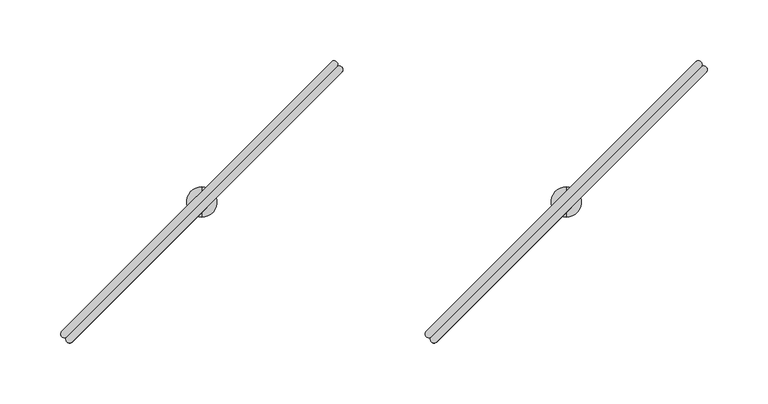
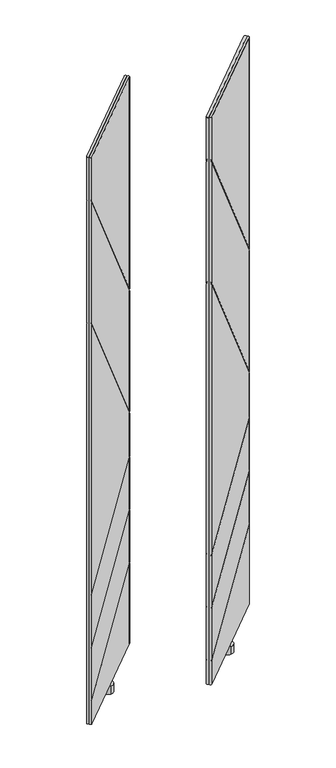
"""IFC4 building model written with IfcOpenShell, lengths in millimetres: furniture geometry."""

from ifc_helpers import new_model, si_unit, frame, origin, place, context, project, spatial, circle_curve, ellipse_curve, source, transform, mapped, element, save
from ifc_brep_helpers import plane_surface, cylinder_surface, advanced_brep


def furniture_f5ca850b(model_context):
    return source(origin(), model_context, "Body", "AdvancedBrep", [
        advanced_brep(
        [(-110.9206656, -183.0476726, 1580.8579983), (111.0432147, 39.0094149, 1580.8579983), (106.8275161, 43.2234083, 1580.8579983), (-115.18424, -178.7849606, 1580.8579983), (-110.9206656, -183.0476726, 80.7339983), (-115.18424, -178.7849606, 80.7339983), (106.8275161, 43.2234083, 80.7339983), (111.0432147, 39.0094149, 80.7339983), (-115.18424, -178.7849606, 1465.6098628), (-115.6881022, -182.380027, 1469.7173437), (-115.6881022, -182.380027, 1464.166375), (-115.18424, -178.7849606, 1460.0588941), (-115.18424, -178.7849606, 1141.5813803), (-115.6881022, -182.380027, 1145.6879231), (-115.6881022, -182.380027, 1140.1378008), (-115.18424, -178.7849606, 1136.031258), (-115.18424, -178.7849606, 427.6020429), (-115.6881022, -182.380027, 426.2337165), (-115.6881022, -182.380027, 422.694591), (-115.18424, -178.7849606, 424.0629174), (-115.18424, -178.7849606, 287.4388163), (-115.6881022, -182.380027, 286.0703439), (-115.6881022, -182.380027, 282.5311496), (-115.18424, -178.7849606, 283.899622), (-115.18424, -178.7849606, 147.2371613), (-115.6881022, -182.380027, 145.8687302), (-115.6881022, -182.380027, 142.3295554), (-115.18424, -178.7849606, 143.6979865), (106.8275161, 43.2234083, 1020.6632991), (106.8275161, 43.2234083, 291.9345147), (106.8275161, 43.2234083, 1015.1123304), (106.8275161, 43.2234083, 696.7364411), (106.8275161, 43.2234083, 691.1863188), (106.8275161, 43.2234083, 575.8272317), (106.8275161, 43.2234083, 572.2881062), (106.8275161, 43.2234083, 435.6798128), (106.8275161, 43.2234083, 432.1406185), (106.8275161, 43.2234083, 295.4736895), (110.3510612, 43.6591364, 293.2563217), (110.3510612, 43.6591364, 296.7954965), (110.3510612, 43.6591364, 433.4624654), (110.3510612, 43.6591364, 437.0016597), (110.3510612, 43.6591364, 573.6098121), (110.3510612, 43.6591364, 577.1489377), (110.3510612, 43.6591364, 687.2196908), (110.3510612, 43.6591364, 692.7698131), (110.3510612, 43.6591364, 1011.1447962), (110.3510612, 43.6591364, 1016.6957649)],
        [
            (0, 1),
            (1, 2, circle_curve(frame((108.8832345, 41.0642596, 1580.8579983), z_axis=(0.0, 0.0, 1.0), x_axis=(0.6892541380737184, 0.724519656840486, 0.0)), 2.9812584)),
            (2, 3),
            (3, 0, circle_curve(frame((-113.0526846, -180.9165485, 1580.8579983), z_axis=(0.0, 0.0, 1.0), x_axis=(-0.7071121751659861, -0.7071013871659622, 0.0)), 3.0144975)),
            (4, 5, circle_curve(frame((-113.0526846, -180.9165485, 80.7339983), z_axis=(0.0, 0.0, -1.0), x_axis=(-0.7071121751659861, -0.7071013871659622, 0.0)), 3.0144975)),
            (5, 6),
            (6, 7, circle_curve(frame((108.8832345, 41.0642596, 80.7339983), z_axis=(0.0, 0.0, -1.0), x_axis=(0.6892541380737184, 0.724519656840486, 0.0)), 2.9812584)),
            (7, 4),
            (3, 8),
            (8, 9, ellipse_curve(frame((-113.0526846, -180.9165485, 1465.6098953), z_axis=(0.577750975804524, 0.5777509758045234, 0.576548020475174), x_axis=(-0.40768101495767617, -0.4076810149576757, 0.817063265657047)), 5.2285281, 3.0144975)),
            (9, 10),
            (10, 11, ellipse_curve(frame((-113.0526846, -180.9165485, 1460.0589267), z_axis=(-0.577750975804524, -0.5777509758045234, -0.576548020475174), x_axis=(-0.40768101495767617, -0.4076810149576757, 0.817063265657047)), 5.2285281, 3.0144975)),
            (11, 12),
            (12, 13, ellipse_curve(frame((-113.0526846, -180.9165485, 1141.5814129), z_axis=(0.5777071023563686, 0.577707102356368, 0.576635940411294), x_axis=(-0.4077431837407081, -0.4077431837407078, 0.8170012192316377)), 5.2277309, 3.0144975)),
            (13, 14),
            (14, 15, ellipse_curve(frame((-113.0526846, -180.9165485, 1136.0312905), z_axis=(-0.5777071023563686, -0.5777071023563679, -0.5766359404112942), x_axis=(-0.40774318374070834, -0.40774318374070784, 0.8170012192316375)), 5.2277309, 3.0144975)),
            (15, 16),
            (16, 17, ellipse_curve(frame((-113.0526846, -180.9165485, 427.6020321), z_axis=(-0.3018753516577264, -0.3018753516577261, 0.9042911832607062), x_axis=(0.6394304278508526, 0.6394304278508519, 0.42691621646050404)), 3.3335474, 3.0144975)),
            (17, 18),
            (18, 19, ellipse_curve(frame((-113.0526846, -180.9165485, 424.0629066), z_axis=(0.3018753516577265, 0.30187535165772633, -0.9042911832607061), x_axis=(0.6394304278508526, 0.6394304278508522, 0.4269162164605042)), 3.3335474, 3.0144975)),
            (19, 20),
            (20, 21, ellipse_curve(frame((-113.0526846, -180.9165485, 287.4388054), z_axis=(-0.3019016772725295, -0.3019016772725292, 0.9042736060065379), x_axis=(0.6394179988552356, 0.6394179988552351, 0.4269534465019956)), 3.3336122, 3.0144975)),
            (21, 22),
            (22, 23, ellipse_curve(frame((-113.0526846, -180.9165485, 283.8996111), z_axis=(0.3019016772725295, 0.30190167727252887, -0.9042736060065379), x_axis=(0.639417998855236, 0.6394179988552348, 0.42695344650199585)), 3.3336122, 3.0144975)),
            (23, 24),
            (24, 25, ellipse_curve(frame((-113.0526846, -180.9165485, 147.2371505), z_axis=(-0.30189423598003035, -0.30189423598003007, 0.9042785746461471), x_axis=(0.6394215122139965, 0.6394215122139959, 0.4269429229252227)), 3.3335939, 3.0144975)),
            (25, 26),
            (26, 27, ellipse_curve(frame((-113.0526846, -180.9165485, 143.6979756), z_axis=(0.30189423598002996, 0.3018942359800298, -0.9042785746461475), x_axis=(0.6394215122139967, 0.6394215122139962, 0.4269429229252216)), 3.3335939, 3.0144975)),
            (27, 5),
            (4, 0),
            (2, 28),
            (28, 8),
            (27, 29),
            (29, 6),
            (11, 30),
            (30, 31),
            (31, 12),
            (15, 32),
            (32, 33),
            (33, 16),
            (19, 34),
            (34, 35),
            (35, 20),
            (23, 36),
            (36, 37),
            (37, 24),
            (1, 7),
            (29, 38, ellipse_curve(frame((108.8832345, 41.0642596, 291.8999843), z_axis=(0.30189423598002996, 0.3018942359800298, -0.9042785746461475), x_axis=(0.6394215122139967, 0.6394215122139962, 0.4269429229252216)), 3.2968362, 2.9812584)),
            (38, 39),
            (39, 37, ellipse_curve(frame((108.8832345, 41.0642596, 295.4391592), z_axis=(-0.30189423598003035, -0.30189423598003007, 0.9042785746461471), x_axis=(0.6394215122139965, 0.6394215122139959, 0.4269429229252227)), 3.2968362, 2.9812584)),
            (36, 40, ellipse_curve(frame((108.8832345, 41.0642596, 432.1060871), z_axis=(0.3019016772725295, 0.30190167727252887, -0.9042736060065379), x_axis=(0.639417998855236, 0.6394179988552348, 0.42695344650199585)), 3.2968543, 2.9812584)),
            (40, 41),
            (41, 35, ellipse_curve(frame((108.8832345, 41.0642596, 435.6452814), z_axis=(-0.3019016772725295, -0.3019016772725292, 0.9042736060065379), x_axis=(0.6394179988552356, 0.6394179988552351, 0.4269534465019956)), 3.2968543, 2.9812584)),
            (34, 42, ellipse_curve(frame((108.8832345, 41.0642596, 572.2535785), z_axis=(0.3018753516577265, 0.30187535165772633, -0.9042911832607061), x_axis=(0.6394304278508526, 0.6394304278508522, 0.4269162164605042)), 3.2967902, 2.9812584)),
            (42, 43),
            (43, 33, ellipse_curve(frame((108.8832345, 41.0642596, 575.7927041), z_axis=(-0.3018753516577264, -0.3018753516577261, 0.9042911832607062), x_axis=(0.6394304278508526, 0.6394304278508519, 0.42691621646050404)), 3.2967902, 2.9812584)),
            (32, 44, ellipse_curve(frame((108.8832345, 41.0642596, 691.2899413), z_axis=(-0.5777071023563686, -0.5777071023563679, -0.5766359404112942), x_axis=(-0.40774318374070834, -0.40774318374070784, 0.8170012192316375)), 5.1700876, 2.9812584)),
            (44, 45),
            (45, 31, ellipse_curve(frame((108.8832345, 41.0642596, 696.8400637), z_axis=(0.5777071023563686, 0.577707102356368, 0.576635940411294), x_axis=(-0.4077431837407081, -0.4077431837407078, 0.8170012192316377)), 5.1700876, 2.9812584)),
            (30, 46, ellipse_curve(frame((108.8832345, 41.0642596, 1015.2159766), z_axis=(-0.577750975804524, -0.5777509758045234, -0.576548020475174), x_axis=(-0.40768101495767617, -0.4076810149576757, 0.817063265657047)), 5.1708761, 2.9812584)),
            (46, 47),
            (47, 28, ellipse_curve(frame((108.8832345, 41.0642596, 1020.7669453), z_axis=(0.577750975804524, 0.5777509758045234, 0.576548020475174), x_axis=(-0.40768101495767617, -0.4076810149576757, 0.817063265657047)), 5.1708761, 2.9812584)),
            (46, 10),
            (9, 47),
            (44, 14),
            (13, 45),
            (17, 43),
            (42, 18),
            (40, 22),
            (21, 41),
            (38, 26),
            (25, 39),
        ],
        [
            plane_surface(frame((-2.0585437, -69.8999525, 1580.8579983), z_axis=(0.0, 0.0, 1.0000000000000002), x_axis=(0.7069583324882522, 0.7072551987263367, 0.0))),
            plane_surface(frame((-2.0585437, -69.8999525, 80.7339983), z_axis=(0.0, 0.0, -1.0000000000000002), x_axis=(0.7069583324882522, 0.7072551987263367, 0.0))),
            cylinder_surface(frame((-113.0526846, -180.9165485, 80.7339983), z_axis=(0.0, 0.0, 1.0), x_axis=(-0.7071121751659861, -0.7071013871659622, 0.0)), 3.0144975),
            plane_surface(frame((-4.1783619, -67.7807761, 80.7339983), z_axis=(-0.7071013871659615, 0.7071121751659868, 0.0), x_axis=(-0.7071121751659868, -0.7071013871659615, 0.0))),
            cylinder_surface(frame((108.8832345, 41.0642596, 80.7339983), z_axis=(0.0, 0.0, 1.0), x_axis=(0.6892541380737184, 0.724519656840486, 0.0)), 2.9812584),
            plane_surface(frame((0.0612746, -72.0191288, 80.7339983), z_axis=(0.7072551987263367, -0.7069583324882522, 0.0), x_axis=(0.7069583324882522, 0.7072551987263367, 0.0))),
            plane_surface(frame((124.7325456, 58.0406208, 1930.8164788), z_axis=(-0.7071067811865472, 0.707106781186548, 0.0), x_axis=(0.0, 0.0, 1.0))),
            plane_surface(frame((-149.6523346, -176.8311325, 1498.1919696), z_axis=(-0.577750975804524, -0.5777509758045234, -0.576548020475174), x_axis=(0.7071067811865472, -0.7071067811865479, 0.0))),
            plane_surface(frame((104.9759821, 77.7971843, 982.3218141), z_axis=(0.577750975804524, 0.5777509758045234, 0.576548020475174), x_axis=(0.7071067811865472, -0.7071067811865479, 0.0))),
            plane_surface(frame((-149.6523346, -176.8311325, 1174.1560454), z_axis=(-0.5777071023563686, -0.577707102356368, -0.576635940411294), x_axis=(0.7071067811865472, -0.7071067811865479, 0.0))),
            plane_surface(frame((104.9759821, 77.7971843, 658.4032918), z_axis=(0.5777071023563686, 0.5777071023563679, 0.5766359404112942), x_axis=(0.7071067811865471, -0.707106781186548, 0.0))),
            plane_surface(frame((104.9759821, 77.7971843, 583.2116212), z_axis=(-0.3018753516577265, -0.30187535165772633, 0.9042911832607061), x_axis=(0.7071067811865474, -0.7071067811865477, 0.0))),
            plane_surface(frame((-149.6523346, -176.8311325, 416.7479554), z_axis=(0.30187535165772644, 0.30187535165772617, -0.9042911832607065), x_axis=(0.7071067811865472, -0.7071067811865479, 0.0))),
            plane_surface(frame((-149.6523346, -176.8311325, 276.5835712), z_axis=(0.3019016772725295, 0.3019016772725292, -0.9042736060065379), x_axis=(0.7071067811865472, -0.7071067811865479, 0.0))),
            plane_surface(frame((104.9759821, 77.7971843, 443.0652984), z_axis=(-0.3019016772725295, -0.30190167727252887, 0.9042736060065379), x_axis=(0.7071067811865468, -0.7071067811865482, 0.0))),
            plane_surface(frame((-149.6523346, -176.8311325, 136.3822435), z_axis=(0.3018942359800304, 0.3018942359800301, -0.9042785746461474), x_axis=(0.7071067811865472, -0.7071067811865479, 0.0))),
            plane_surface(frame((104.9759821, 77.7971843, 302.8588653), z_axis=(-0.30189423598002996, -0.3018942359800298, 0.9042785746461475), x_axis=(0.7071067811865474, -0.7071067811865477, 0.0))),
        ],
        [
            (0, [[1, 2, 3, 4]]),
            (1, [[5, 6, 7, 8]]),
            (2, [[-4, 9, 10, 11, 12, 13, 14, 15, 16, 17, 18, 19, 20, 21, 22, 23, 24, 25, 26, 27, 28, 29, -5, 30]]),
            (3, [[-3, 31, 32, -9]]),
            (3, [[-6, -29, 33, 34]]),
            (3, [[-13, 35, 36, 37]]),
            (3, [[-17, 38, 39, 40]]),
            (3, [[-21, 41, 42, 43]]),
            (3, [[-25, 44, 45, 46]]),
            (4, [[-2, 47, -7, -34, 48, 49, 50, -45, 51, 52, 53, -42, 54, 55, 56, -39, 57, 58, 59, -36, 60, 61, 62, -31]]),
            (5, [[-1, -30, -8, -47]]),
            (6, [[63, -11, 64, -61]]),
            (6, [[65, -15, 66, -58]]),
            (6, [[67, -55, 68, -19]]),
            (6, [[69, -23, 70, -52]]),
            (6, [[71, -27, 72, -49]]),
            (7, [[-64, -10, -32, -62]]),
            (8, [[-63, -60, -35, -12]]),
            (9, [[-66, -14, -37, -59]]),
            (10, [[-65, -57, -38, -16]]),
            (11, [[-68, -54, -41, -20]]),
            (12, [[-67, -18, -40, -56]]),
            (13, [[-70, -22, -43, -53]]),
            (14, [[-69, -51, -44, -24]]),
            (15, [[-72, -26, -46, -50]]),
            (16, [[-71, -48, -33, -28]]),
        ],
    ),
        advanced_brep(
        [(-110.9599734, -183.0083649, 1580.8579983), (-106.6972613, -187.2719392, 1580.8579983), (115.3111076, 34.7398168, 1580.8579983), (111.0971142, 38.9555155, 1580.8579983), (-110.9599733, -183.0083649, 80.7339983), (111.0971142, 38.9555155, 80.7339983), (115.3111076, 34.7398168, 80.7339983), (-106.6972613, -187.2719392, 80.7339983), (-106.6972613, -187.2719392, 143.6979865), (-110.2923277, -187.7758015, 142.3295554), (-110.2923277, -187.7758015, 145.8687302), (-106.6972613, -187.2719392, 147.2371613), (-106.6972613, -187.2719392, 283.899622), (-110.2923277, -187.7758015, 282.5311496), (-110.2923277, -187.7758015, 286.0703439), (-106.6972613, -187.2719392, 287.4388163), (-106.6972613, -187.2719392, 424.0629174), (-110.2923277, -187.7758015, 422.694591), (-110.2923277, -187.7758015, 426.2337165), (-106.6972613, -187.2719392, 427.6020429), (-106.6972613, -187.2719392, 1136.031258), (-110.2923277, -187.7758015, 1140.1378008), (-110.2923277, -187.7758015, 1145.6879231), (-106.6972613, -187.2719392, 1141.5813803), (-106.6972613, -187.2719392, 1460.0588941), (-110.2923277, -187.7758015, 1464.166375), (-110.2923277, -187.7758015, 1469.7173437), (-106.6972613, -187.2719392, 1465.6098628), (115.3111076, 34.7398168, 295.4736895), (115.3111076, 34.7398168, 432.1406185), (115.3111076, 34.7398168, 435.6798128), (115.3111076, 34.7398168, 572.2881062), (115.3111076, 34.7398168, 575.8272317), (115.3111076, 34.7398168, 691.1863188), (115.3111076, 34.7398168, 696.7364411), (115.3111076, 34.7398168, 1015.1123304), (115.3111076, 34.7398168, 1020.6632991), (115.3111076, 34.7398168, 291.9345147), (115.7468357, 38.263362, 1016.6957649), (115.7468357, 38.263362, 1011.1447962), (115.7468357, 38.263362, 692.7698131), (115.7468357, 38.263362, 687.2196908), (115.7468357, 38.263362, 577.1489377), (115.7468357, 38.263362, 573.6098121), (115.7468357, 38.263362, 437.0016597), (115.7468357, 38.263362, 433.4624654), (115.7468357, 38.263362, 296.7954965), (115.7468357, 38.263362, 293.2563217)],
        [
            (0, 1, circle_curve(frame((-108.8288492, -185.1403839, 1580.8579983), z_axis=(0.0, 0.0, 1.0), x_axis=(-0.7072551987263337, -0.7069583324882551, 0.0)), 3.0144975)),
            (1, 2),
            (2, 3, circle_curve(frame((113.1519589, 36.7955352, 1580.8579983), z_axis=(0.0, 0.0, 1.0), x_axis=(0.6895472047235311, 0.7242407420588576, 0.0)), 2.9812584)),
            (3, 0),
            (4, 5),
            (5, 6, circle_curve(frame((113.1519589, 36.7955352, 80.7339983), z_axis=(0.0, 0.0, -1.0), x_axis=(0.6895472047235311, 0.7242407420588576, 0.0)), 2.9812584)),
            (6, 7),
            (7, 4, circle_curve(frame((-108.8288492, -185.1403839, 80.7339983), z_axis=(0.0, 0.0, -1.0), x_axis=(-0.7072551987263337, -0.7069583324882551, 0.0)), 3.0144975)),
            (0, 4),
            (7, 8),
            (8, 9, ellipse_curve(frame((-108.8288492, -185.1403839, 143.6979756), z_axis=(0.3018942359800301, 0.3018942359800296, -0.9042785746461475), x_axis=(0.6394215122139969, 0.6394215122139959, 0.4269429229252216)), 3.3335939, 3.0144975)),
            (9, 10),
            (10, 11, ellipse_curve(frame((-108.8288492, -185.1403839, 147.2371505), z_axis=(-0.30189423598003046, -0.3018942359800299, 0.9042785746461472), x_axis=(0.639421512213997, 0.6394215122139958, 0.42694292292522235)), 3.3335939, 3.0144975)),
            (11, 12),
            (12, 13, ellipse_curve(frame((-108.8288492, -185.1403839, 283.8996111), z_axis=(0.3019016772725294, 0.3019016772725289, -0.9042736060065379), x_axis=(0.6394179988552359, 0.6394179988552348, 0.4269534465019958)), 3.3336122, 3.0144975)),
            (13, 14),
            (14, 15, ellipse_curve(frame((-108.8288492, -185.1403839, 287.4388054), z_axis=(-0.30190167727252964, -0.3019016772725291, 0.9042736060065377), x_axis=(0.6394179988552356, 0.6394179988552345, 0.42695344650199624)), 3.3336122, 3.0144975)),
            (15, 16),
            (16, 17, ellipse_curve(frame((-108.8288492, -185.1403839, 424.0629066), z_axis=(0.3018753516577267, 0.3018753516577262, -0.9042911832607062), x_axis=(0.6394304278508529, 0.6394304278508518, 0.42691621646050376)), 3.3335474, 3.0144975)),
            (17, 18),
            (18, 19, ellipse_curve(frame((-108.8288492, -185.1403839, 427.6020321), z_axis=(-0.3018753516577265, -0.30187535165772594, 0.9042911832607062), x_axis=(0.6394304278508529, 0.6394304278508517, 0.42691621646050404)), 3.3335474, 3.0144975)),
            (19, 20),
            (20, 21, ellipse_curve(frame((-108.8288492, -185.1403839, 1136.0312905), z_axis=(-0.5777071023563687, -0.5777071023563677, -0.5766359404112942), x_axis=(-0.40774318374070845, -0.4077431837407077, 0.8170012192316376)), 5.2277309, 3.0144975)),
            (21, 22),
            (22, 23, ellipse_curve(frame((-108.8288492, -185.1403839, 1141.5814129), z_axis=(0.5777071023563689, 0.5777071023563678, 0.576635940411294), x_axis=(-0.4077431837407084, -0.40774318374070756, 0.8170012192316377)), 5.2277309, 3.0144975)),
            (23, 24),
            (24, 25, ellipse_curve(frame((-108.8288492, -185.1403839, 1460.0589267), z_axis=(-0.5777509758045232, -0.5777509758045242, -0.5765480204751738), x_axis=(-0.40768101495767556, -0.4076810149576762, 0.8170632656570472)), 5.2285281, 3.0144975)),
            (25, 26),
            (26, 27, ellipse_curve(frame((-108.8288492, -185.1403839, 1465.6098953), z_axis=(0.5777509758045243, 0.5777509758045233, 0.5765480204751738), x_axis=(-0.4076810149576763, -0.4076810149576756, 0.8170632656570472)), 5.2285281, 3.0144975)),
            (27, 1),
            (11, 28),
            (28, 29),
            (29, 12),
            (15, 30),
            (30, 31),
            (31, 16),
            (19, 32),
            (32, 33),
            (33, 20),
            (23, 34),
            (34, 35),
            (35, 24),
            (27, 36),
            (36, 2),
            (6, 37),
            (37, 8),
            (36, 38, ellipse_curve(frame((113.1519589, 36.7955352, 1020.7669453), z_axis=(0.5777509758045243, 0.5777509758045233, 0.5765480204751738), x_axis=(-0.4076810149576763, -0.4076810149576756, 0.8170632656570472)), 5.1708761, 2.9812584)),
            (38, 39),
            (39, 35, ellipse_curve(frame((113.1519589, 36.7955352, 1015.2159766), z_axis=(-0.5777509758045232, -0.5777509758045242, -0.5765480204751738), x_axis=(-0.40768101495767556, -0.4076810149576762, 0.8170632656570472)), 5.1708761, 2.9812584)),
            (34, 40, ellipse_curve(frame((113.1519589, 36.7955352, 696.8400637), z_axis=(0.5777071023563689, 0.5777071023563678, 0.576635940411294), x_axis=(-0.4077431837407084, -0.40774318374070756, 0.8170012192316377)), 5.1700876, 2.9812584)),
            (40, 41),
            (41, 33, ellipse_curve(frame((113.1519589, 36.7955352, 691.2899413), z_axis=(-0.5777071023563687, -0.5777071023563677, -0.5766359404112942), x_axis=(-0.40774318374070845, -0.4077431837407077, 0.8170012192316376)), 5.1700876, 2.9812584)),
            (32, 42, ellipse_curve(frame((113.1519589, 36.7955352, 575.7927041), z_axis=(-0.3018753516577265, -0.30187535165772594, 0.9042911832607062), x_axis=(0.6394304278508529, 0.6394304278508517, 0.42691621646050404)), 3.2967902, 2.9812584)),
            (42, 43),
            (43, 31, ellipse_curve(frame((113.1519589, 36.7955352, 572.2535785), z_axis=(0.3018753516577267, 0.3018753516577262, -0.9042911832607062), x_axis=(0.6394304278508529, 0.6394304278508518, 0.42691621646050376)), 3.2967902, 2.9812584)),
            (30, 44, ellipse_curve(frame((113.1519589, 36.7955352, 435.6452814), z_axis=(-0.30190167727252964, -0.3019016772725291, 0.9042736060065377), x_axis=(0.6394179988552356, 0.6394179988552345, 0.42695344650199624)), 3.2968543, 2.9812584)),
            (44, 45),
            (45, 29, ellipse_curve(frame((113.1519589, 36.7955352, 432.1060871), z_axis=(0.3019016772725294, 0.3019016772725289, -0.9042736060065379), x_axis=(0.6394179988552359, 0.6394179988552348, 0.4269534465019958)), 3.2968543, 2.9812584)),
            (28, 46, ellipse_curve(frame((113.1519589, 36.7955352, 295.4391592), z_axis=(-0.30189423598003046, -0.3018942359800299, 0.9042785746461472), x_axis=(0.639421512213997, 0.6394215122139958, 0.42694292292522235)), 3.2968362, 2.9812584)),
            (46, 47),
            (47, 37, ellipse_curve(frame((113.1519589, 36.7955352, 291.8999843), z_axis=(0.3018942359800301, 0.3018942359800296, -0.9042785746461475), x_axis=(0.6394215122139969, 0.6394215122139959, 0.4269429229252216)), 3.2968362, 2.9812584)),
            (5, 3),
            (38, 26),
            (25, 39),
            (40, 22),
            (21, 41),
            (17, 43),
            (42, 18),
            (44, 14),
            (13, 45),
            (46, 10),
            (9, 47),
        ],
        [
            plane_surface(frame((2.1877468, -74.146243, 1580.8579983), z_axis=(0.0, 0.0, 1.0000000000000002), x_axis=(-0.7072551987263422, -0.7069583324882467, 0.0))),
            plane_surface(frame((2.1877468, -74.146243, 80.7339983), z_axis=(0.0, 0.0, -1.0000000000000002), x_axis=(-0.7072551987263422, -0.7069583324882467, 0.0))),
            cylinder_surface(frame((-108.8288492, -185.1403839, 80.7339983), z_axis=(0.0, 0.0, 1.0), x_axis=(-0.7072551987263337, -0.7069583324882551, 0.0)), 3.0144975),
            plane_surface(frame((4.3069231, -76.2660612, 80.7339983), z_axis=(0.7071121751659858, -0.7071013871659624, 0.0), x_axis=(0.7071013871659624, 0.7071121751659858, 0.0))),
            cylinder_surface(frame((113.1519589, 36.7955352, 80.7339983), z_axis=(0.0, 0.0, 1.0), x_axis=(0.6895472047235311, 0.7242407420588576, 0.0)), 2.9812584),
            plane_surface(frame((0.0685705, -72.0264247, 80.7339983), z_axis=(-0.7069583324882512, 0.7072551987263376, 0.0), x_axis=(-0.7072551987263376, -0.7069583324882512, 0.0))),
            plane_surface(frame((100.8293536, 23.3458798, 1046.5929792), z_axis=(0.7071067811865471, -0.7071067811865481, 0.0), x_axis=(0.40768101495767617, 0.40768101495767556, -0.8170632656570473))),
            plane_surface(frame((149.8848836, 32.8882829, 987.8727828), z_axis=(-0.5777509758045242, -0.5777509758045232, -0.5765480204751737), x_axis=(-0.7071067811865469, 0.7071067811865481, 0.0))),
            plane_surface(frame((-104.7434332, -221.7400339, 1492.6410009), z_axis=(0.5777509758045232, 0.5777509758045242, 0.5765480204751738), x_axis=(-0.7071067811865481, 0.7071067811865469, 0.0))),
            plane_surface(frame((149.8848836, 32.8882829, 663.9534141), z_axis=(-0.5777071023563689, -0.5777071023563678, -0.576635940411294), x_axis=(-0.7071067811865469, 0.7071067811865482, 0.0))),
            plane_surface(frame((-104.7434332, -221.7400339, 1168.6059231), z_axis=(0.5777071023563687, 0.5777071023563677, 0.5766359404112942), x_axis=(-0.7071067811865469, 0.7071067811865481, 0.0))),
            plane_surface(frame((-104.7434332, -221.7400339, 413.2088299), z_axis=(-0.3018753516577267, -0.3018753516577262, 0.9042911832607062), x_axis=(-0.7071067811865469, 0.7071067811865481, 0.0))),
            plane_surface(frame((149.8848836, 32.8882829, 586.7507468), z_axis=(0.30187535165772655, 0.301875351657726, -0.9042911832607065), x_axis=(-0.7071067811865469, 0.7071067811865482, 0.0))),
            plane_surface(frame((149.8848836, 32.8882829, 446.6044928), z_axis=(0.3019016772725297, 0.30190167727252915, -0.9042736060065379), x_axis=(-0.7071067811865469, 0.7071067811865482, 0.0))),
            plane_surface(frame((-104.7434332, -221.7400339, 273.0443769), z_axis=(-0.3019016772725294, -0.3019016772725289, 0.9042736060065379), x_axis=(-0.7071067811865469, 0.7071067811865481, 0.0))),
            plane_surface(frame((149.8848836, 32.8882829, 306.3980402), z_axis=(0.3018942359800305, 0.30189423598002996, -0.9042785746461475), x_axis=(-0.7071067811865469, 0.7071067811865482, 0.0))),
            plane_surface(frame((-104.7434332, -221.7400339, 132.8430686), z_axis=(-0.3018942359800301, -0.3018942359800296, 0.9042785746461475), x_axis=(-0.7071067811865469, 0.7071067811865481, 0.0))),
        ],
        [
            (0, [[1, 2, 3, 4]]),
            (1, [[5, 6, 7, 8]]),
            (2, [[-1, 9, -8, 10, 11, 12, 13, 14, 15, 16, 17, 18, 19, 20, 21, 22, 23, 24, 25, 26, 27, 28, 29, 30]]),
            (3, [[-14, 31, 32, 33]]),
            (3, [[-18, 34, 35, 36]]),
            (3, [[-22, 37, 38, 39]]),
            (3, [[-26, 40, 41, 42]]),
            (3, [[-2, -30, 43, 44]]),
            (3, [[-7, 45, 46, -10]]),
            (4, [[-3, -44, 47, 48, 49, -41, 50, 51, 52, -38, 53, 54, 55, -35, 56, 57, 58, -32, 59, 60, 61, -45, -6, 62]]),
            (5, [[-4, -62, -5, -9]]),
            (6, [[63, -28, 64, -48]]),
            (6, [[65, -24, 66, -51]]),
            (6, [[67, -54, 68, -20]]),
            (6, [[69, -16, 70, -57]]),
            (6, [[71, -12, 72, -60]]),
            (7, [[-63, -47, -43, -29]]),
            (8, [[-64, -27, -42, -49]]),
            (9, [[-65, -50, -40, -25]]),
            (10, [[-66, -23, -39, -52]]),
            (11, [[-67, -19, -36, -55]]),
            (12, [[-68, -53, -37, -21]]),
            (13, [[-69, -56, -34, -17]]),
            (14, [[-70, -15, -33, -58]]),
            (15, [[-71, -59, -31, -13]]),
            (16, [[-72, -11, -46, -61]]),
        ],
    ),
        advanced_brep(
        [(0.0, -84.5709522, 80.7339983), (0.0, -59.5748171, 80.7339983), (0.0, -59.5748171, 59.9975986), (0.0, -84.5709522, 59.9975986), (0.0, -72.0728847, 80.7339983), (0.0, -72.0728847, 59.9975986)],
        [
            (0, 1, circle_curve(frame((0.0, -72.0728847, 80.7339983), z_axis=(0.0, 0.0, -1.0), x_axis=(0.0, 1.0, 0.0)), 12.4980675)),
            (1, 2),
            (2, 3, circle_curve(frame((0.0, -72.0728847, 59.9975986), z_axis=(0.0, 0.0, 1.0), x_axis=(0.0, 1.0, 0.0)), 12.4980675)),
            (3, 0),
            (4, 1),
            (0, 4),
            (0, 1, circle_curve(frame((0.0, -72.0728847, 80.7339983), z_axis=(0.0, 0.0, 1.0), x_axis=(0.0, 1.0, 0.0)), 12.4980675)),
            (2, 5),
            (5, 3),
            (2, 3, circle_curve(frame((0.0, -72.0728847, 59.9975986), z_axis=(0.0, 0.0, -1.0), x_axis=(0.0, 1.0, 0.0)), 12.4980675)),
        ],
        [
            cylinder_surface(frame((0.0, -72.0728847, 88.2747758), z_axis=(0.0, 0.0, 1.0), x_axis=(0.0, 1.0, 0.0)), 12.4980675),
            plane_surface(frame((0.0, -72.0728847, 80.7339983), z_axis=(0.0, 0.0, 1.0), x_axis=(0.0, 1.0, 0.0))),
            plane_surface(frame((0.0, -72.0728847, 59.9975986), z_axis=(0.0, 0.0, -1.0), x_axis=(0.0, 1.0, 0.0))),
        ],
        [
            (0, [[1, 2, 3, 4]]),
            (1, [[5, -1, 6]]),
            (1, [[-6, 7, -5]]),
            (2, [[-3, 8, 9]]),
            (2, [[10, -9, -8]]),
            (0, [[-7, -4, -10, -2]]),
        ],
    ),
        advanced_brep(
        [(-410.9200656, -183.0476726, 1580.8579983), (-188.9561853, 39.0094149, 1580.8579983), (-193.1718839, 43.2234083, 1580.8579983), (-415.18364, -178.7849606, 1580.8579983), (-410.9200656, -183.0476726, 80.7339983), (-415.18364, -178.7849606, 80.7339983), (-193.1718839, 43.2234083, 80.7339983), (-188.9561853, 39.0094149, 80.7339983), (-415.18364, -178.7849606, 1465.6098628), (-415.6875022, -182.380027, 1469.7173437), (-415.6875022, -182.380027, 1464.166375), (-415.18364, -178.7849606, 1460.0588941), (-415.18364, -178.7849606, 1141.5813803), (-415.6875022, -182.380027, 1145.6879231), (-415.6875022, -182.380027, 1140.1378008), (-415.18364, -178.7849606, 1136.031258), (-415.18364, -178.7849606, 427.6020429), (-415.6875022, -182.380027, 426.2337165), (-415.6875022, -182.380027, 422.694591), (-415.18364, -178.7849606, 424.0629174), (-415.18364, -178.7849606, 287.4388163), (-415.6875022, -182.380027, 286.0703439), (-415.6875022, -182.380027, 282.5311496), (-415.18364, -178.7849606, 283.899622), (-415.18364, -178.7849606, 147.2371613), (-415.6875022, -182.380027, 145.8687302), (-415.6875022, -182.380027, 142.3295554), (-415.18364, -178.7849606, 143.6979865), (-193.1718839, 43.2234083, 1020.6632991), (-193.1718839, 43.2234083, 291.9345147), (-193.1718839, 43.2234083, 1015.1123304), (-193.1718839, 43.2234083, 696.7364411), (-193.1718839, 43.2234083, 691.1863188), (-193.1718839, 43.2234083, 575.8272317), (-193.1718839, 43.2234083, 572.2881062), (-193.1718839, 43.2234083, 435.6798128), (-193.1718839, 43.2234083, 432.1406185), (-193.1718839, 43.2234083, 295.4736895), (-189.6483388, 43.6591364, 293.2563217), (-189.6483388, 43.6591364, 296.7954965), (-189.6483388, 43.6591364, 433.4624654), (-189.6483388, 43.6591364, 437.0016597), (-189.6483388, 43.6591364, 573.6098121), (-189.6483388, 43.6591364, 577.1489377), (-189.6483388, 43.6591364, 687.2196908), (-189.6483388, 43.6591364, 692.7698131), (-189.6483388, 43.6591364, 1011.1447962), (-189.6483388, 43.6591364, 1016.6957649)],
        [
            (0, 1),
            (1, 2, circle_curve(frame((-191.1161655, 41.0642596, 1580.8579983), z_axis=(0.0, 0.0, 1.0), x_axis=(0.6892541380737184, 0.724519656840486, 0.0)), 2.9812584)),
            (2, 3),
            (3, 0, circle_curve(frame((-413.0520846, -180.9165485, 1580.8579983), z_axis=(0.0, 0.0, 1.0), x_axis=(-0.7071121751659861, -0.7071013871659622, 0.0)), 3.0144975)),
            (4, 5, circle_curve(frame((-413.0520846, -180.9165485, 80.7339983), z_axis=(0.0, 0.0, -1.0), x_axis=(-0.7071121751659861, -0.7071013871659622, 0.0)), 3.0144975)),
            (5, 6),
            (6, 7, circle_curve(frame((-191.1161655, 41.0642596, 80.7339983), z_axis=(0.0, 0.0, -1.0), x_axis=(0.6892541380737184, 0.724519656840486, 0.0)), 2.9812584)),
            (7, 4),
            (3, 8),
            (8, 9, ellipse_curve(frame((-413.0520846, -180.9165485, 1465.6098953), z_axis=(0.577750975804524, 0.5777509758045234, 0.576548020475174), x_axis=(-0.40768101495767617, -0.4076810149576757, 0.817063265657047)), 5.2285281, 3.0144975)),
            (9, 10),
            (10, 11, ellipse_curve(frame((-413.0520846, -180.9165485, 1460.0589267), z_axis=(-0.577750975804524, -0.5777509758045234, -0.576548020475174), x_axis=(-0.40768101495767617, -0.4076810149576757, 0.817063265657047)), 5.2285281, 3.0144975)),
            (11, 12),
            (12, 13, ellipse_curve(frame((-413.0520846, -180.9165485, 1141.5814129), z_axis=(0.5777071023563686, 0.577707102356368, 0.576635940411294), x_axis=(-0.4077431837407081, -0.4077431837407078, 0.8170012192316377)), 5.2277309, 3.0144975)),
            (13, 14),
            (14, 15, ellipse_curve(frame((-413.0520846, -180.9165485, 1136.0312905), z_axis=(-0.5777071023563686, -0.5777071023563679, -0.5766359404112942), x_axis=(-0.40774318374070834, -0.40774318374070784, 0.8170012192316375)), 5.2277309, 3.0144975)),
            (15, 16),
            (16, 17, ellipse_curve(frame((-413.0520846, -180.9165485, 427.6020321), z_axis=(-0.3018753516577264, -0.3018753516577261, 0.9042911832607062), x_axis=(0.6394304278508526, 0.6394304278508519, 0.42691621646050404)), 3.3335474, 3.0144975)),
            (17, 18),
            (18, 19, ellipse_curve(frame((-413.0520846, -180.9165485, 424.0629066), z_axis=(0.3018753516577265, 0.30187535165772633, -0.9042911832607061), x_axis=(0.6394304278508526, 0.6394304278508522, 0.4269162164605042)), 3.3335474, 3.0144975)),
            (19, 20),
            (20, 21, ellipse_curve(frame((-413.0520846, -180.9165485, 287.4388054), z_axis=(-0.3019016772725295, -0.3019016772725292, 0.9042736060065379), x_axis=(0.6394179988552356, 0.6394179988552351, 0.4269534465019956)), 3.3336122, 3.0144975)),
            (21, 22),
            (22, 23, ellipse_curve(frame((-413.0520846, -180.9165485, 283.8996111), z_axis=(0.3019016772725295, 0.30190167727252887, -0.9042736060065379), x_axis=(0.639417998855236, 0.6394179988552348, 0.42695344650199585)), 3.3336122, 3.0144975)),
            (23, 24),
            (24, 25, ellipse_curve(frame((-413.0520846, -180.9165485, 147.2371505), z_axis=(-0.30189423598003035, -0.30189423598003007, 0.9042785746461471), x_axis=(0.6394215122139965, 0.6394215122139959, 0.4269429229252227)), 3.3335939, 3.0144975)),
            (25, 26),
            (26, 27, ellipse_curve(frame((-413.0520846, -180.9165485, 143.6979756), z_axis=(0.30189423598002996, 0.3018942359800298, -0.9042785746461475), x_axis=(0.6394215122139967, 0.6394215122139962, 0.4269429229252216)), 3.3335939, 3.0144975)),
            (27, 5),
            (4, 0),
            (2, 28),
            (28, 8),
            (27, 29),
            (29, 6),
            (11, 30),
            (30, 31),
            (31, 12),
            (15, 32),
            (32, 33),
            (33, 16),
            (19, 34),
            (34, 35),
            (35, 20),
            (23, 36),
            (36, 37),
            (37, 24),
            (1, 7),
            (29, 38, ellipse_curve(frame((-191.1161655, 41.0642596, 291.8999843), z_axis=(0.30189423598002996, 0.3018942359800298, -0.9042785746461475), x_axis=(0.6394215122139967, 0.6394215122139962, 0.4269429229252216)), 3.2968362, 2.9812584)),
            (38, 39),
            (39, 37, ellipse_curve(frame((-191.1161655, 41.0642596, 295.4391592), z_axis=(-0.30189423598003035, -0.30189423598003007, 0.9042785746461471), x_axis=(0.6394215122139965, 0.6394215122139959, 0.4269429229252227)), 3.2968362, 2.9812584)),
            (36, 40, ellipse_curve(frame((-191.1161655, 41.0642596, 432.1060871), z_axis=(0.3019016772725295, 0.30190167727252887, -0.9042736060065379), x_axis=(0.639417998855236, 0.6394179988552348, 0.42695344650199585)), 3.2968543, 2.9812584)),
            (40, 41),
            (41, 35, ellipse_curve(frame((-191.1161655, 41.0642596, 435.6452814), z_axis=(-0.3019016772725295, -0.3019016772725292, 0.9042736060065379), x_axis=(0.6394179988552356, 0.6394179988552351, 0.4269534465019956)), 3.2968543, 2.9812584)),
            (34, 42, ellipse_curve(frame((-191.1161655, 41.0642596, 572.2535785), z_axis=(0.3018753516577265, 0.30187535165772633, -0.9042911832607061), x_axis=(0.6394304278508526, 0.6394304278508522, 0.4269162164605042)), 3.2967902, 2.9812584)),
            (42, 43),
            (43, 33, ellipse_curve(frame((-191.1161655, 41.0642596, 575.7927041), z_axis=(-0.3018753516577264, -0.3018753516577261, 0.9042911832607062), x_axis=(0.6394304278508526, 0.6394304278508519, 0.42691621646050404)), 3.2967902, 2.9812584)),
            (32, 44, ellipse_curve(frame((-191.1161655, 41.0642596, 691.2899413), z_axis=(-0.5777071023563686, -0.5777071023563679, -0.5766359404112942), x_axis=(-0.40774318374070834, -0.40774318374070784, 0.8170012192316375)), 5.1700876, 2.9812584)),
            (44, 45),
            (45, 31, ellipse_curve(frame((-191.1161655, 41.0642596, 696.8400637), z_axis=(0.5777071023563686, 0.577707102356368, 0.576635940411294), x_axis=(-0.4077431837407081, -0.4077431837407078, 0.8170012192316377)), 5.1700876, 2.9812584)),
            (30, 46, ellipse_curve(frame((-191.1161655, 41.0642596, 1015.2159766), z_axis=(-0.577750975804524, -0.5777509758045234, -0.576548020475174), x_axis=(-0.40768101495767617, -0.4076810149576757, 0.817063265657047)), 5.1708761, 2.9812584)),
            (46, 47),
            (47, 28, ellipse_curve(frame((-191.1161655, 41.0642596, 1020.7669453), z_axis=(0.577750975804524, 0.5777509758045234, 0.576548020475174), x_axis=(-0.40768101495767617, -0.4076810149576757, 0.817063265657047)), 5.1708761, 2.9812584)),
            (46, 10),
            (9, 47),
            (44, 14),
            (13, 45),
            (17, 43),
            (42, 18),
            (40, 22),
            (21, 41),
            (38, 26),
            (25, 39),
        ],
        [
            plane_surface(frame((-302.0579437, -69.8999525, 1580.8579983), z_axis=(0.0, 0.0, 1.0000000000000002), x_axis=(0.7069583324882522, 0.7072551987263367, 0.0))),
            plane_surface(frame((-302.0579437, -69.8999525, 80.7339983), z_axis=(0.0, 0.0, -1.0000000000000002), x_axis=(0.7069583324882522, 0.7072551987263367, 0.0))),
            cylinder_surface(frame((-413.0520846, -180.9165485, 80.7339983), z_axis=(0.0, 0.0, 1.0), x_axis=(-0.7071121751659861, -0.7071013871659622, 0.0)), 3.0144975),
            plane_surface(frame((-304.1777619, -67.7807761, 80.7339983), z_axis=(-0.7071013871659615, 0.7071121751659868, 0.0), x_axis=(-0.7071121751659868, -0.7071013871659615, 0.0))),
            cylinder_surface(frame((-191.1161655, 41.0642596, 80.7339983), z_axis=(0.0, 0.0, 1.0), x_axis=(0.6892541380737184, 0.724519656840486, 0.0)), 2.9812584),
            plane_surface(frame((-299.9381254, -72.0191288, 80.7339983), z_axis=(0.7072551987263367, -0.7069583324882522, 0.0), x_axis=(0.7069583324882522, 0.7072551987263367, 0.0))),
            plane_surface(frame((-175.2668544, 58.0406208, 1930.8164788), z_axis=(-0.7071067811865472, 0.707106781186548, 0.0), x_axis=(0.0, 0.0, 1.0))),
            plane_surface(frame((-449.6517346, -176.8311325, 1498.1919696), z_axis=(-0.577750975804524, -0.5777509758045234, -0.576548020475174), x_axis=(0.7071067811865472, -0.7071067811865479, 0.0))),
            plane_surface(frame((-195.0234179, 77.7971843, 982.3218141), z_axis=(0.577750975804524, 0.5777509758045234, 0.576548020475174), x_axis=(0.7071067811865472, -0.7071067811865479, 0.0))),
            plane_surface(frame((-449.6517346, -176.8311325, 1174.1560454), z_axis=(-0.5777071023563686, -0.577707102356368, -0.576635940411294), x_axis=(0.7071067811865472, -0.7071067811865479, 0.0))),
            plane_surface(frame((-195.0234179, 77.7971843, 658.4032918), z_axis=(0.5777071023563686, 0.5777071023563679, 0.5766359404112942), x_axis=(0.7071067811865471, -0.707106781186548, 0.0))),
            plane_surface(frame((-195.0234179, 77.7971843, 583.2116212), z_axis=(-0.3018753516577265, -0.30187535165772633, 0.9042911832607061), x_axis=(0.7071067811865474, -0.7071067811865477, 0.0))),
            plane_surface(frame((-449.6517346, -176.8311325, 416.7479554), z_axis=(0.30187535165772644, 0.30187535165772617, -0.9042911832607065), x_axis=(0.7071067811865472, -0.7071067811865479, 0.0))),
            plane_surface(frame((-449.6517346, -176.8311325, 276.5835712), z_axis=(0.3019016772725295, 0.3019016772725292, -0.9042736060065379), x_axis=(0.7071067811865472, -0.7071067811865479, 0.0))),
            plane_surface(frame((-195.0234179, 77.7971843, 443.0652984), z_axis=(-0.3019016772725295, -0.30190167727252887, 0.9042736060065379), x_axis=(0.7071067811865468, -0.7071067811865482, 0.0))),
            plane_surface(frame((-449.6517346, -176.8311325, 136.3822435), z_axis=(0.3018942359800304, 0.3018942359800301, -0.9042785746461474), x_axis=(0.7071067811865472, -0.7071067811865479, 0.0))),
            plane_surface(frame((-195.0234179, 77.7971843, 302.8588653), z_axis=(-0.30189423598002996, -0.3018942359800298, 0.9042785746461475), x_axis=(0.7071067811865474, -0.7071067811865477, 0.0))),
        ],
        [
            (0, [[1, 2, 3, 4]]),
            (1, [[5, 6, 7, 8]]),
            (2, [[-4, 9, 10, 11, 12, 13, 14, 15, 16, 17, 18, 19, 20, 21, 22, 23, 24, 25, 26, 27, 28, 29, -5, 30]]),
            (3, [[-3, 31, 32, -9]]),
            (3, [[-6, -29, 33, 34]]),
            (3, [[-13, 35, 36, 37]]),
            (3, [[-17, 38, 39, 40]]),
            (3, [[-21, 41, 42, 43]]),
            (3, [[-25, 44, 45, 46]]),
            (4, [[-2, 47, -7, -34, 48, 49, 50, -45, 51, 52, 53, -42, 54, 55, 56, -39, 57, 58, 59, -36, 60, 61, 62, -31]]),
            (5, [[-1, -30, -8, -47]]),
            (6, [[63, -11, 64, -61]]),
            (6, [[65, -15, 66, -58]]),
            (6, [[67, -55, 68, -19]]),
            (6, [[69, -23, 70, -52]]),
            (6, [[71, -27, 72, -49]]),
            (7, [[-64, -10, -32, -62]]),
            (8, [[-63, -60, -35, -12]]),
            (9, [[-66, -14, -37, -59]]),
            (10, [[-65, -57, -38, -16]]),
            (11, [[-68, -54, -41, -20]]),
            (12, [[-67, -18, -40, -56]]),
            (13, [[-70, -22, -43, -53]]),
            (14, [[-69, -51, -44, -24]]),
            (15, [[-72, -26, -46, -50]]),
            (16, [[-71, -48, -33, -28]]),
        ],
    ),
        advanced_brep(
        [(-410.9593734, -183.0083649, 1580.8579983), (-406.6966613, -187.2719392, 1580.8579983), (-184.6882924, 34.7398168, 1580.8579983), (-188.9022858, 38.9555155, 1580.8579983), (-410.9593733, -183.0083649, 80.7339983), (-188.9022858, 38.9555155, 80.7339983), (-184.6882924, 34.7398168, 80.7339983), (-406.6966613, -187.2719392, 80.7339983), (-406.6966613, -187.2719392, 143.6979865), (-410.2917277, -187.7758015, 142.3295554), (-410.2917277, -187.7758015, 145.8687302), (-406.6966613, -187.2719392, 147.2371613), (-406.6966613, -187.2719392, 283.899622), (-410.2917277, -187.7758015, 282.5311496), (-410.2917277, -187.7758015, 286.0703439), (-406.6966613, -187.2719392, 287.4388163), (-406.6966613, -187.2719392, 424.0629174), (-410.2917277, -187.7758015, 422.694591), (-410.2917277, -187.7758015, 426.2337165), (-406.6966613, -187.2719392, 427.6020429), (-406.6966613, -187.2719392, 1136.031258), (-410.2917277, -187.7758015, 1140.1378008), (-410.2917277, -187.7758015, 1145.6879231), (-406.6966613, -187.2719392, 1141.5813803), (-406.6966613, -187.2719392, 1460.0588941), (-410.2917277, -187.7758015, 1464.166375), (-410.2917277, -187.7758015, 1469.7173437), (-406.6966613, -187.2719392, 1465.6098628), (-184.6882924, 34.7398168, 295.4736895), (-184.6882924, 34.7398168, 432.1406185), (-184.6882924, 34.7398168, 435.6798128), (-184.6882924, 34.7398168, 572.2881062), (-184.6882924, 34.7398168, 575.8272317), (-184.6882924, 34.7398168, 691.1863188), (-184.6882924, 34.7398168, 696.7364411), (-184.6882924, 34.7398168, 1015.1123304), (-184.6882924, 34.7398168, 1020.6632991), (-184.6882924, 34.7398168, 291.9345147), (-184.2525643, 38.263362, 1016.6957649), (-184.2525643, 38.263362, 1011.1447962), (-184.2525643, 38.263362, 692.7698131), (-184.2525643, 38.263362, 687.2196908), (-184.2525643, 38.263362, 577.1489377), (-184.2525643, 38.263362, 573.6098121), (-184.2525643, 38.263362, 437.0016597), (-184.2525643, 38.263362, 433.4624654), (-184.2525643, 38.263362, 296.7954965), (-184.2525643, 38.263362, 293.2563217)],
        [
            (0, 1, circle_curve(frame((-408.8282492, -185.1403839, 1580.8579983), z_axis=(0.0, 0.0, 1.0), x_axis=(-0.7072551987263337, -0.7069583324882551, 0.0)), 3.0144975)),
            (1, 2),
            (2, 3, circle_curve(frame((-186.8474411, 36.7955352, 1580.8579983), z_axis=(0.0, 0.0, 1.0), x_axis=(0.6895472047235311, 0.7242407420588576, 0.0)), 2.9812584)),
            (3, 0),
            (4, 5),
            (5, 6, circle_curve(frame((-186.8474411, 36.7955352, 80.7339983), z_axis=(0.0, 0.0, -1.0), x_axis=(0.6895472047235311, 0.7242407420588576, 0.0)), 2.9812584)),
            (6, 7),
            (7, 4, circle_curve(frame((-408.8282492, -185.1403839, 80.7339983), z_axis=(0.0, 0.0, -1.0), x_axis=(-0.7072551987263337, -0.7069583324882551, 0.0)), 3.0144975)),
            (0, 4),
            (7, 8),
            (8, 9, ellipse_curve(frame((-408.8282492, -185.1403839, 143.6979756), z_axis=(0.3018942359800301, 0.3018942359800296, -0.9042785746461475), x_axis=(0.6394215122139969, 0.6394215122139959, 0.4269429229252216)), 3.3335939, 3.0144975)),
            (9, 10),
            (10, 11, ellipse_curve(frame((-408.8282492, -185.1403839, 147.2371505), z_axis=(-0.30189423598003046, -0.3018942359800299, 0.9042785746461472), x_axis=(0.639421512213997, 0.6394215122139958, 0.42694292292522235)), 3.3335939, 3.0144975)),
            (11, 12),
            (12, 13, ellipse_curve(frame((-408.8282492, -185.1403839, 283.8996111), z_axis=(0.3019016772725294, 0.3019016772725289, -0.9042736060065379), x_axis=(0.6394179988552359, 0.6394179988552348, 0.4269534465019958)), 3.3336122, 3.0144975)),
            (13, 14),
            (14, 15, ellipse_curve(frame((-408.8282492, -185.1403839, 287.4388054), z_axis=(-0.30190167727252964, -0.3019016772725291, 0.9042736060065377), x_axis=(0.6394179988552356, 0.6394179988552345, 0.42695344650199624)), 3.3336122, 3.0144975)),
            (15, 16),
            (16, 17, ellipse_curve(frame((-408.8282492, -185.1403839, 424.0629066), z_axis=(0.3018753516577267, 0.3018753516577262, -0.9042911832607062), x_axis=(0.6394304278508529, 0.6394304278508518, 0.42691621646050376)), 3.3335474, 3.0144975)),
            (17, 18),
            (18, 19, ellipse_curve(frame((-408.8282492, -185.1403839, 427.6020321), z_axis=(-0.3018753516577265, -0.30187535165772594, 0.9042911832607062), x_axis=(0.6394304278508529, 0.6394304278508517, 0.42691621646050404)), 3.3335474, 3.0144975)),
            (19, 20),
            (20, 21, ellipse_curve(frame((-408.8282492, -185.1403839, 1136.0312905), z_axis=(-0.5777071023563687, -0.5777071023563677, -0.5766359404112942), x_axis=(-0.40774318374070845, -0.4077431837407077, 0.8170012192316376)), 5.2277309, 3.0144975)),
            (21, 22),
            (22, 23, ellipse_curve(frame((-408.8282492, -185.1403839, 1141.5814129), z_axis=(0.5777071023563689, 0.5777071023563678, 0.576635940411294), x_axis=(-0.4077431837407084, -0.40774318374070756, 0.8170012192316377)), 5.2277309, 3.0144975)),
            (23, 24),
            (24, 25, ellipse_curve(frame((-408.8282492, -185.1403839, 1460.0589267), z_axis=(-0.5777509758045232, -0.5777509758045242, -0.5765480204751738), x_axis=(-0.40768101495767556, -0.4076810149576762, 0.8170632656570472)), 5.2285281, 3.0144975)),
            (25, 26),
            (26, 27, ellipse_curve(frame((-408.8282492, -185.1403839, 1465.6098953), z_axis=(0.5777509758045243, 0.5777509758045233, 0.5765480204751738), x_axis=(-0.4076810149576763, -0.4076810149576756, 0.8170632656570472)), 5.2285281, 3.0144975)),
            (27, 1),
            (11, 28),
            (28, 29),
            (29, 12),
            (15, 30),
            (30, 31),
            (31, 16),
            (19, 32),
            (32, 33),
            (33, 20),
            (23, 34),
            (34, 35),
            (35, 24),
            (27, 36),
            (36, 2),
            (6, 37),
            (37, 8),
            (36, 38, ellipse_curve(frame((-186.8474411, 36.7955352, 1020.7669453), z_axis=(0.5777509758045243, 0.5777509758045233, 0.5765480204751738), x_axis=(-0.4076810149576763, -0.4076810149576756, 0.8170632656570472)), 5.1708761, 2.9812584)),
            (38, 39),
            (39, 35, ellipse_curve(frame((-186.8474411, 36.7955352, 1015.2159766), z_axis=(-0.5777509758045232, -0.5777509758045242, -0.5765480204751738), x_axis=(-0.40768101495767556, -0.4076810149576762, 0.8170632656570472)), 5.1708761, 2.9812584)),
            (34, 40, ellipse_curve(frame((-186.8474411, 36.7955352, 696.8400637), z_axis=(0.5777071023563689, 0.5777071023563678, 0.576635940411294), x_axis=(-0.4077431837407084, -0.40774318374070756, 0.8170012192316377)), 5.1700876, 2.9812584)),
            (40, 41),
            (41, 33, ellipse_curve(frame((-186.8474411, 36.7955352, 691.2899413), z_axis=(-0.5777071023563687, -0.5777071023563677, -0.5766359404112942), x_axis=(-0.40774318374070845, -0.4077431837407077, 0.8170012192316376)), 5.1700876, 2.9812584)),
            (32, 42, ellipse_curve(frame((-186.8474411, 36.7955352, 575.7927041), z_axis=(-0.3018753516577265, -0.30187535165772594, 0.9042911832607062), x_axis=(0.6394304278508529, 0.6394304278508517, 0.42691621646050404)), 3.2967902, 2.9812584)),
            (42, 43),
            (43, 31, ellipse_curve(frame((-186.8474411, 36.7955352, 572.2535785), z_axis=(0.3018753516577267, 0.3018753516577262, -0.9042911832607062), x_axis=(0.6394304278508529, 0.6394304278508518, 0.42691621646050376)), 3.2967902, 2.9812584)),
            (30, 44, ellipse_curve(frame((-186.8474411, 36.7955352, 435.6452814), z_axis=(-0.30190167727252964, -0.3019016772725291, 0.9042736060065377), x_axis=(0.6394179988552356, 0.6394179988552345, 0.42695344650199624)), 3.2968543, 2.9812584)),
            (44, 45),
            (45, 29, ellipse_curve(frame((-186.8474411, 36.7955352, 432.1060871), z_axis=(0.3019016772725294, 0.3019016772725289, -0.9042736060065379), x_axis=(0.6394179988552359, 0.6394179988552348, 0.4269534465019958)), 3.2968543, 2.9812584)),
            (28, 46, ellipse_curve(frame((-186.8474411, 36.7955352, 295.4391592), z_axis=(-0.30189423598003046, -0.3018942359800299, 0.9042785746461472), x_axis=(0.639421512213997, 0.6394215122139958, 0.42694292292522235)), 3.2968362, 2.9812584)),
            (46, 47),
            (47, 37, ellipse_curve(frame((-186.8474411, 36.7955352, 291.8999843), z_axis=(0.3018942359800301, 0.3018942359800296, -0.9042785746461475), x_axis=(0.6394215122139969, 0.6394215122139959, 0.4269429229252216)), 3.2968362, 2.9812584)),
            (5, 3),
            (38, 26),
            (25, 39),
            (40, 22),
            (21, 41),
            (17, 43),
            (42, 18),
            (44, 14),
            (13, 45),
            (46, 10),
            (9, 47),
        ],
        [
            plane_surface(frame((-297.8116532, -74.146243, 1580.8579983), z_axis=(0.0, 0.0, 1.0000000000000002), x_axis=(-0.7072551987263422, -0.7069583324882467, 0.0))),
            plane_surface(frame((-297.8116532, -74.146243, 80.7339983), z_axis=(0.0, 0.0, -1.0000000000000002), x_axis=(-0.7072551987263422, -0.7069583324882467, 0.0))),
            cylinder_surface(frame((-408.8282492, -185.1403839, 80.7339983), z_axis=(0.0, 0.0, 1.0), x_axis=(-0.7072551987263337, -0.7069583324882551, 0.0)), 3.0144975),
            plane_surface(frame((-295.6924769, -76.2660612, 80.7339983), z_axis=(0.7071121751659858, -0.7071013871659624, 0.0), x_axis=(0.7071013871659624, 0.7071121751659858, 0.0))),
            cylinder_surface(frame((-186.8474411, 36.7955352, 80.7339983), z_axis=(0.0, 0.0, 1.0), x_axis=(0.6895472047235311, 0.7242407420588576, 0.0)), 2.9812584),
            plane_surface(frame((-299.9308295, -72.0264247, 80.7339983), z_axis=(-0.7069583324882512, 0.7072551987263376, 0.0), x_axis=(-0.7072551987263376, -0.7069583324882512, 0.0))),
            plane_surface(frame((-199.1700464, 23.3458798, 1046.5929792), z_axis=(0.7071067811865471, -0.7071067811865481, 0.0), x_axis=(0.40768101495767617, 0.40768101495767556, -0.8170632656570473))),
            plane_surface(frame((-150.1145164, 32.8882829, 987.8727828), z_axis=(-0.5777509758045242, -0.5777509758045232, -0.5765480204751737), x_axis=(-0.7071067811865469, 0.7071067811865481, 0.0))),
            plane_surface(frame((-404.7428332, -221.7400339, 1492.6410009), z_axis=(0.5777509758045232, 0.5777509758045242, 0.5765480204751738), x_axis=(-0.7071067811865481, 0.7071067811865469, 0.0))),
            plane_surface(frame((-150.1145164, 32.8882829, 663.9534141), z_axis=(-0.5777071023563689, -0.5777071023563678, -0.576635940411294), x_axis=(-0.7071067811865469, 0.7071067811865482, 0.0))),
            plane_surface(frame((-404.7428332, -221.7400339, 1168.6059231), z_axis=(0.5777071023563687, 0.5777071023563677, 0.5766359404112942), x_axis=(-0.7071067811865469, 0.7071067811865481, 0.0))),
            plane_surface(frame((-404.7428332, -221.7400339, 413.2088299), z_axis=(-0.3018753516577267, -0.3018753516577262, 0.9042911832607062), x_axis=(-0.7071067811865469, 0.7071067811865481, 0.0))),
            plane_surface(frame((-150.1145164, 32.8882829, 586.7507468), z_axis=(0.30187535165772655, 0.301875351657726, -0.9042911832607065), x_axis=(-0.7071067811865469, 0.7071067811865482, 0.0))),
            plane_surface(frame((-150.1145164, 32.8882829, 446.6044928), z_axis=(0.3019016772725297, 0.30190167727252915, -0.9042736060065379), x_axis=(-0.7071067811865469, 0.7071067811865482, 0.0))),
            plane_surface(frame((-404.7428332, -221.7400339, 273.0443769), z_axis=(-0.3019016772725294, -0.3019016772725289, 0.9042736060065379), x_axis=(-0.7071067811865469, 0.7071067811865481, 0.0))),
            plane_surface(frame((-150.1145164, 32.8882829, 306.3980402), z_axis=(0.3018942359800305, 0.30189423598002996, -0.9042785746461475), x_axis=(-0.7071067811865469, 0.7071067811865482, 0.0))),
            plane_surface(frame((-404.7428332, -221.7400339, 132.8430686), z_axis=(-0.3018942359800301, -0.3018942359800296, 0.9042785746461475), x_axis=(-0.7071067811865469, 0.7071067811865481, 0.0))),
        ],
        [
            (0, [[1, 2, 3, 4]]),
            (1, [[5, 6, 7, 8]]),
            (2, [[-1, 9, -8, 10, 11, 12, 13, 14, 15, 16, 17, 18, 19, 20, 21, 22, 23, 24, 25, 26, 27, 28, 29, 30]]),
            (3, [[-14, 31, 32, 33]]),
            (3, [[-18, 34, 35, 36]]),
            (3, [[-22, 37, 38, 39]]),
            (3, [[-26, 40, 41, 42]]),
            (3, [[-2, -30, 43, 44]]),
            (3, [[-7, 45, 46, -10]]),
            (4, [[-3, -44, 47, 48, 49, -41, 50, 51, 52, -38, 53, 54, 55, -35, 56, 57, 58, -32, 59, 60, 61, -45, -6, 62]]),
            (5, [[-4, -62, -5, -9]]),
            (6, [[63, -28, 64, -48]]),
            (6, [[65, -24, 66, -51]]),
            (6, [[67, -54, 68, -20]]),
            (6, [[69, -16, 70, -57]]),
            (6, [[71, -12, 72, -60]]),
            (7, [[-63, -47, -43, -29]]),
            (8, [[-64, -27, -42, -49]]),
            (9, [[-65, -50, -40, -25]]),
            (10, [[-66, -23, -39, -52]]),
            (11, [[-67, -19, -36, -55]]),
            (12, [[-68, -53, -37, -21]]),
            (13, [[-69, -56, -34, -17]]),
            (14, [[-70, -15, -33, -58]]),
            (15, [[-71, -59, -31, -13]]),
            (16, [[-72, -11, -46, -61]]),
        ],
    ),
        advanced_brep(
        [(-299.9994, -84.5709522, 80.7339983), (-299.9994, -59.5748171, 80.7339983), (-299.9994, -59.5748171, 59.9975986), (-299.9994, -84.5709522, 59.9975986), (-299.9994, -72.0728847, 80.7339983), (-299.9994, -72.0728847, 59.9975986)],
        [
            (0, 1, circle_curve(frame((-299.9994, -72.0728847, 80.7339983), z_axis=(0.0, 0.0, -1.0), x_axis=(0.0, 1.0, 0.0)), 12.4980675)),
            (1, 2),
            (2, 3, circle_curve(frame((-299.9994, -72.0728847, 59.9975986), z_axis=(0.0, 0.0, 1.0), x_axis=(0.0, 1.0, 0.0)), 12.4980675)),
            (3, 0),
            (4, 1),
            (0, 4),
            (0, 1, circle_curve(frame((-299.9994, -72.0728847, 80.7339983), z_axis=(0.0, 0.0, 1.0), x_axis=(0.0, 1.0, 0.0)), 12.4980675)),
            (2, 5),
            (5, 3),
            (2, 3, circle_curve(frame((-299.9994, -72.0728847, 59.9975986), z_axis=(0.0, 0.0, -1.0), x_axis=(0.0, 1.0, 0.0)), 12.4980675)),
        ],
        [
            cylinder_surface(frame((-299.9994, -72.0728847, 88.2747758), z_axis=(0.0, 0.0, 1.0), x_axis=(0.0, 1.0, 0.0)), 12.4980675),
            plane_surface(frame((-299.9994, -72.0728847, 80.7339983), z_axis=(0.0, 0.0, 1.0), x_axis=(0.0, 1.0, 0.0))),
            plane_surface(frame((-299.9994, -72.0728847, 59.9975986), z_axis=(0.0, 0.0, -1.0), x_axis=(0.0, 1.0, 0.0))),
        ],
        [
            (0, [[1, 2, 3, 4]]),
            (1, [[5, -1, 6]]),
            (1, [[-6, 7, -5]]),
            (2, [[-3, 8, 9]]),
            (2, [[10, -9, -8]]),
            (0, [[-7, -4, -10, -2]]),
        ],
    ),
    ])


if __name__ == "__main__":
    model = new_model("IFC4")
    model_context = context("Model", 3, world=origin())
    ifc_project = project(units=[si_unit("LENGTHUNIT", "METRE", prefix="MILLI")], contexts=[model_context])
    site = spatial("IfcSite", under=ifc_project)
    building = spatial("IfcBuilding", under=site)
    placement = place(None, origin())
    furniture_shape = furniture_f5ca850b(model_context)
    element("IfcFurniture", 1, at=placement, inside=building, context=model_context, shape_type="MappedRepresentation", body=[
        mapped(furniture_shape, transform((0.0, 0.0, 0.0), x_axis=(1.0, 0.0, 0.0), y_axis=(0.0, 1.0, 0.0), z_axis=(0.0, 0.0, 1.0))),
    ])
    save(model, "model.ifc")
